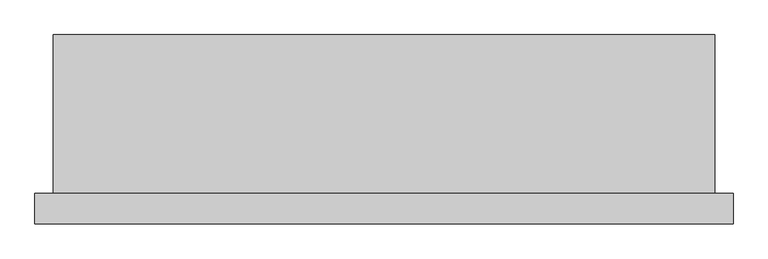
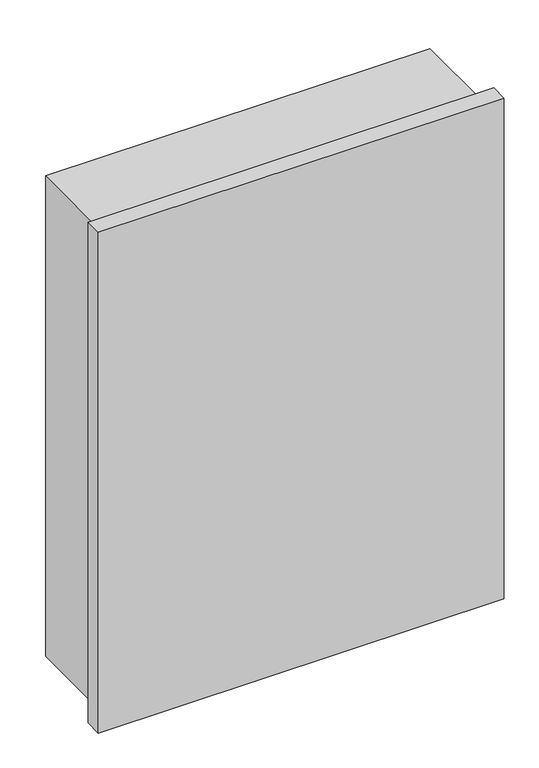
"""IFC4 building model written with IfcOpenShell, lengths in millimetres: plate geometry."""

from ifc_helpers import new_model, si_unit, frame, origin, origin_with_axes, place, context, project, spatial, polyline, outline, extrude, source, transform, mapped, element, save


def plate_cba46507(model_context):
    return source(origin(), model_context, "Body", "SweptSolid", [
        extrude(outline(polyline([(-570.0123316, 10.0), (-570.0123316, 60.0), (570.0123316, 60.0), (570.0123316, 10.0), (-570.0123316, 10.0)])), origin_with_axes(), (0.0, 0.0, 1.0), 1486.6789983),
        extrude(outline(polyline([(-540.0123316, 60.0), (-540.0123316, 319.0), (540.0123316, 319.0), (540.0123316, 60.0), (-540.0123316, 60.0)])), frame((0.0, 0.0, 30.0), z_axis=(0.0, 0.0, 1.0), x_axis=(1.0, 0.0, 0.0)), (0.0, 0.0, 1.0), 1426.6789983),
    ])


if __name__ == "__main__":
    model = new_model("IFC4")
    model_context = context("Model", 3, world=origin())
    ifc_project = project(units=[si_unit("LENGTHUNIT", "METRE", prefix="MILLI")], contexts=[model_context])
    site = spatial("IfcSite", under=ifc_project)
    building = spatial("IfcBuilding", under=site)
    placement = place(None, origin())
    plate_shape = plate_cba46507(model_context)
    element("IfcPlate", 1, at=placement, inside=building, context=model_context, shape_type="MappedRepresentation", body=[
        mapped(plate_shape, transform((0.0, 0.0, 0.0), x_axis=(1.0, 0.0, 0.0), y_axis=(0.0, 1.0, 0.0), z_axis=(0.0, 0.0, 1.0))),
    ])
    save(model, "model.ifc")
